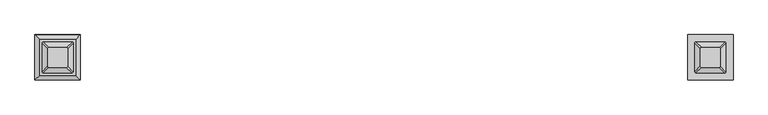
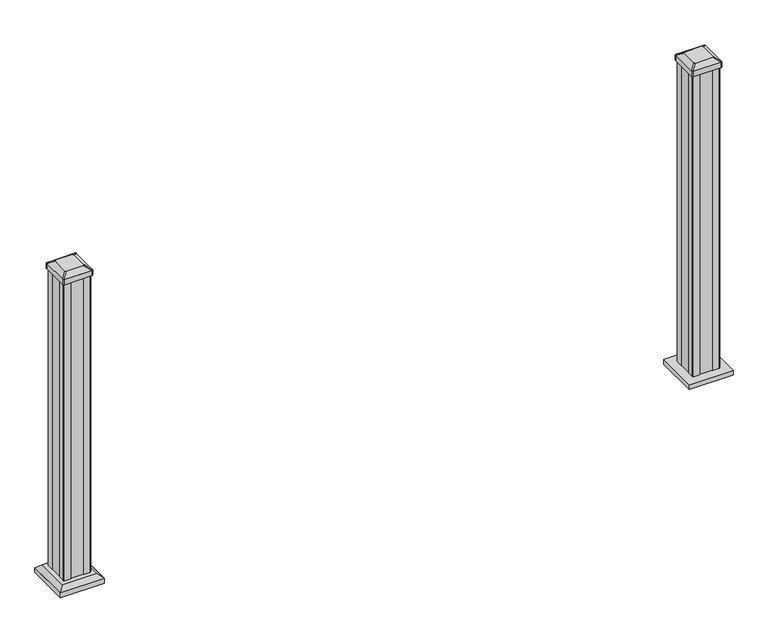
"""IFC4 building model written with IfcOpenShell, lengths in millimetres: railing geometry."""

from ifc_helpers import new_model, si_unit, point, frame, frame_2d, origin, origin_with_axes, place, context, project, spatial, polyline, circle_curve, trimmed, segment, composite_curve, outline, extrude, faceted_brep, source, transform, mapped, element, save
from ifc_brep_helpers import plane_surface, extruded_surface, advanced_brep


def railing_4926e5cd(model_context):
    return source(origin(), model_context, "Body", "SolidModel", [
        extrude(outline(polyline([(15479.6583557, -48119.7918046), (15479.6583557, -47986.5410234), (15612.909137, -47986.5410234), (15612.909137, -48119.7918046), (15479.6583557, -48119.7918046)])), origin_with_axes(), (0.0, 0.0, 1.0), 15.24),
        advanced_brep(
        [(15517.3118713, -48027.369539, 1012.825), (15517.3118713, -48078.963289, 1012.825), (15520.4868713, -48082.138289, 1012.825), (15572.0806213, -48082.138289, 1012.825), (15575.2556213, -48078.963289, 1012.825), (15575.2556213, -48027.369539, 1012.825), (15572.0806213, -48024.194539, 1012.825), (15520.4868713, -48024.194539, 1012.825), (15501.0399963, -48011.097664, 1001.522), (15504.2149963, -48007.922664, 1001.522), (15588.3524963, -48007.922664, 1001.522), (15591.5274963, -48011.097664, 1001.522), (15591.5274963, -48095.235164, 1001.522), (15588.3524963, -48098.410164, 1001.522), (15504.2149963, -48098.410164, 1001.522), (15501.0399963, -48095.235164, 1001.522)],
        [
            (0, 1),
            (1, 2, circle_curve(frame((15520.4868713, -48078.963289, 1012.825), z_axis=(0.0, 0.0, 1.0), x_axis=(1.0, 0.0, 0.0)), 3.175)),
            (2, 3),
            (3, 4, circle_curve(frame((15572.0806213, -48078.963289, 1012.825), z_axis=(0.0, 0.0, 1.0), x_axis=(1.0, 0.0, 0.0)), 3.175)),
            (4, 5),
            (5, 6, circle_curve(frame((15572.0806213, -48027.369539, 1012.825), z_axis=(0.0, 0.0, 1.0), x_axis=(1.0, 0.0, 0.0)), 3.175)),
            (6, 7),
            (7, 0, circle_curve(frame((15520.4868713, -48027.369539, 1012.825), z_axis=(0.0, 0.0, 1.0), x_axis=(1.0, 0.0, 0.0)), 3.175)),
            (8, 9, circle_curve(frame((15504.2149963, -48011.097664, 1001.522), z_axis=(0.0, 0.0, -1.0), x_axis=(1.0, 0.0, 0.0)), 3.175)),
            (9, 10),
            (10, 11, circle_curve(frame((15588.3524963, -48011.097664, 1001.522), z_axis=(0.0, 0.0, -1.0), x_axis=(1.0, 0.0, 0.0)), 3.175)),
            (11, 12),
            (12, 13, circle_curve(frame((15588.3524963, -48095.235164, 1001.522), z_axis=(0.0, 0.0, -1.0), x_axis=(1.0, 0.0, 0.0)), 3.175)),
            (13, 14),
            (14, 15, circle_curve(frame((15504.2149963, -48095.235164, 1001.522), z_axis=(0.0, 0.0, -1.0), x_axis=(1.0, 0.0, 0.0)), 3.175)),
            (15, 8),
            (8, 0),
            (7, 9),
            (6, 10),
            (5, 11),
            (4, 12),
            (3, 13),
            (2, 14),
            (1, 15),
        ],
        [
            plane_surface(frame((15546.2837463, -48053.166414, 1012.825), z_axis=(0.0, 0.0, 1.0), x_axis=(0.0, 1.0, 0.0))),
            plane_surface(frame((15546.2837463, -48053.166414, 1001.522), z_axis=(0.0, 0.0, -1.0), x_axis=(0.0, 1.0, 0.0))),
            extruded_surface(trimmed(circle_curve(frame((15520.4868713, -48027.369539, 1012.825), z_axis=(0.0, 0.0, -1.0), x_axis=(1.0, 0.0, 0.0)), 3.175), [point((15517.3118713, -48027.369539, 1012.825))], [point((15520.4868713, -48024.194539, 1012.825))], True, "CARTESIAN"), (-16.271875000000364, 16.271874999998545, -11.302999999999997), 25.637972638865467),
            plane_surface(frame((15546.2837463, -48007.922664, 1001.522), z_axis=(0.0, 0.5705009161540779, 0.8212969649690408), x_axis=(1.0, 0.0, 0.0))),
            extruded_surface(trimmed(circle_curve(frame((15572.0806213, -48027.369539, 1012.825), z_axis=(0.0, 0.0, -1.0), x_axis=(1.0, 0.0, 0.0)), 3.175), [point((15572.0806213, -48024.194539, 1012.825))], [point((15575.2556213, -48027.369539, 1012.825))], True, "CARTESIAN"), (16.271875000000364, 16.271874999998545, -11.302999999999997), 25.637972638865467),
            plane_surface(frame((15591.5274963, -48053.166414, 1001.522), z_axis=(0.5705009161540291, 0.0, 0.8212969649690747), x_axis=(0.0, -1.0, 0.0))),
            extruded_surface(trimmed(circle_curve(frame((15572.0806213, -48078.963289, 1012.825), z_axis=(0.0, 0.0, -1.0), x_axis=(1.0, 0.0, 0.0)), 3.175), [point((15575.2556213, -48078.963289, 1012.825))], [point((15572.0806213, -48082.138289, 1012.825))], True, "CARTESIAN"), (16.271875000000364, -16.271874999998545, -11.302999999999997), 25.637972638865467),
            plane_surface(frame((15546.2837463, -48098.410164, 1001.522), z_axis=(0.0, -0.5705009161540141, 0.8212969649690851), x_axis=(-1.0, 0.0, 0.0))),
            extruded_surface(trimmed(circle_curve(frame((15520.4868713, -48078.963289, 1012.825), z_axis=(0.0, 0.0, -1.0), x_axis=(1.0, 0.0, 0.0)), 3.175), [point((15520.4868713, -48082.138289, 1012.825))], [point((15517.3118713, -48078.963289, 1012.825))], True, "CARTESIAN"), (-16.271875000000364, -16.271874999998545, -11.302999999999997), 25.637972638865467),
            plane_surface(frame((15501.0399963, -48053.166414, 1001.522), z_axis=(-0.570500916154034, 0.0, 0.8212969649690713), x_axis=(0.0, 1.0, 0.0))),
        ],
        [
            (0, [[1, 2, 3, 4, 5, 6, 7, 8]]),
            (1, [[9, 10, 11, 12, 13, 14, 15, 16]]),
            (2, [[17, -8, 18, -9]]),
            (3, [[-18, -7, 19, -10]]),
            (4, [[-19, -6, 20, -11]]),
            (5, [[-20, -5, 21, -12]]),
            (6, [[-21, -4, 22, -13]]),
            (7, [[-22, -3, 23, -14]]),
            (8, [[-23, -2, 24, -15]]),
            (9, [[-24, -1, -17, -16]]),
        ],
    ),
        extrude(outline(composite_curve([segment(trimmed(circle_curve(frame_2d((15504.2149963, -48011.097664)), 3.175), [point((15501.0399963, -48011.097664))], [point((15504.2149963, -48007.922664))], False, "CARTESIAN"), True, "CONTINUOUS"), segment(polyline([(15504.2149963, -48007.922664), (15588.3524963, -48007.922664)]), True, "CONTINUOUS"), segment(trimmed(circle_curve(frame_2d((15588.3524963, -48011.097664)), 3.175), [point((15588.3524963, -48007.922664))], [point((15591.5274963, -48011.097664))], False, "CARTESIAN"), True, "CONTINUOUS"), segment(polyline([(15591.5274963, -48011.097664), (15591.5274963, -48095.235164)]), True, "CONTINUOUS"), segment(trimmed(circle_curve(frame_2d((15588.3524963, -48095.235164)), 3.175), [point((15591.5274963, -48095.235164))], [point((15588.3524963, -48098.410164))], False, "CARTESIAN"), True, "CONTINUOUS"), segment(polyline([(15588.3524963, -48098.410164), (15504.2149963, -48098.410164)]), True, "CONTINUOUS"), segment(trimmed(circle_curve(frame_2d((15504.2149963, -48095.235164)), 3.175), [point((15504.2149963, -48098.410164))], [point((15501.0399963, -48095.235164))], False, "CARTESIAN"), True, "CONTINUOUS"), segment(polyline([(15501.0399963, -48095.235164), (15501.0399963, -48011.097664)]), True, "CONTINUOUS")], self_intersect=False)), frame((0.0, 0.0, 984.25), z_axis=(0.0, 0.0, 1.0), x_axis=(1.0, 0.0, 0.0)), (0.0, 0.0, 1.0), 17.272),
        extrude(outline(polyline([(15505.0087463, -48013.478914), (15506.5962463, -48011.891414), (15526.2177463, -48011.891414), (15526.9797463, -48013.478914), (15565.5877463, -48013.478914), (15566.3497463, -48011.891414), (15585.9712463, -48011.891414), (15587.5587463, -48013.478914), (15587.5587463, -48033.100414), (15585.9712463, -48033.862414), (15585.9712463, -48072.470414), (15587.5587463, -48073.232414), (15587.5587463, -48092.853914), (15585.9712463, -48094.441414), (15566.3497463, -48094.441414), (15565.5877463, -48092.853914), (15526.9797463, -48092.853914), (15526.2177463, -48094.441414), (15506.5962463, -48094.441414), (15505.0087463, -48092.853914), (15505.0087463, -48073.232414), (15506.5962463, -48072.470414), (15506.5962463, -48033.862414), (15505.0087463, -48033.100414), (15505.0087463, -48013.478914)])), origin_with_axes(), (0.0, 0.0, 1.0), 984.25),
        faceted_brep([(13582.0938088, -48105.7523515, 28.575), (13687.2656838, -48105.7523515, 28.575), (13687.2656838, -48000.5804765, 28.575), (13582.0938088, -48000.5804765, 28.575), (13568.0543557, -48119.7918046, 15.24), (13568.0543557, -47986.5410234, 15.24), (13701.305137, -47986.5410234, 15.24), (13701.305137, -48119.7918046, 15.24)], [[[0, 1, 2, 3]], [[4, 5, 6, 7]], [[4, 0, 3, 5]], [[5, 3, 2, 6]], [[6, 2, 1, 7]], [[7, 1, 0, 4]]]),
        extrude(outline(polyline([(13568.0543557, -48119.7918046), (13568.0543557, -47986.5410234), (13701.305137, -47986.5410234), (13701.305137, -48119.7918046), (13568.0543557, -48119.7918046)])), origin_with_axes(), (0.0, 0.0, 1.0), 15.24),
        advanced_brep(
        [(13605.7078713, -48027.369539, 1012.825), (13605.7078713, -48078.963289, 1012.825), (13608.8828713, -48082.138289, 1012.825), (13660.4766213, -48082.138289, 1012.825), (13663.6516213, -48078.963289, 1012.825), (13663.6516213, -48027.369539, 1012.825), (13660.4766213, -48024.194539, 1012.825), (13608.8828713, -48024.194539, 1012.825), (13589.4359963, -48011.097664, 1001.522), (13592.6109963, -48007.922664, 1001.522), (13676.7484963, -48007.922664, 1001.522), (13679.9234963, -48011.097664, 1001.522), (13679.9234963, -48095.235164, 1001.522), (13676.7484963, -48098.410164, 1001.522), (13592.6109963, -48098.410164, 1001.522), (13589.4359963, -48095.235164, 1001.522)],
        [
            (0, 1),
            (1, 2, circle_curve(frame((13608.8828713, -48078.963289, 1012.825), z_axis=(0.0, 0.0, 1.0), x_axis=(1.0, 0.0, 0.0)), 3.175)),
            (2, 3),
            (3, 4, circle_curve(frame((13660.4766213, -48078.963289, 1012.825), z_axis=(0.0, 0.0, 1.0), x_axis=(1.0, 0.0, 0.0)), 3.175)),
            (4, 5),
            (5, 6, circle_curve(frame((13660.4766213, -48027.369539, 1012.825), z_axis=(0.0, 0.0, 1.0), x_axis=(1.0, 0.0, 0.0)), 3.175)),
            (6, 7),
            (7, 0, circle_curve(frame((13608.8828713, -48027.369539, 1012.825), z_axis=(0.0, 0.0, 1.0), x_axis=(1.0, 0.0, 0.0)), 3.175)),
            (8, 9, circle_curve(frame((13592.6109963, -48011.097664, 1001.522), z_axis=(0.0, 0.0, -1.0), x_axis=(1.0, 0.0, 0.0)), 3.175)),
            (9, 10),
            (10, 11, circle_curve(frame((13676.7484963, -48011.097664, 1001.522), z_axis=(0.0, 0.0, -1.0), x_axis=(1.0, 0.0, 0.0)), 3.175)),
            (11, 12),
            (12, 13, circle_curve(frame((13676.7484963, -48095.235164, 1001.522), z_axis=(0.0, 0.0, -1.0), x_axis=(1.0, 0.0, 0.0)), 3.175)),
            (13, 14),
            (14, 15, circle_curve(frame((13592.6109963, -48095.235164, 1001.522), z_axis=(0.0, 0.0, -1.0), x_axis=(1.0, 0.0, 0.0)), 3.175)),
            (15, 8),
            (8, 0),
            (7, 9),
            (6, 10),
            (5, 11),
            (4, 12),
            (3, 13),
            (2, 14),
            (1, 15),
        ],
        [
            plane_surface(frame((13634.6797463, -48053.166414, 1012.825), z_axis=(0.0, 0.0, 1.0), x_axis=(0.0, 1.0, 0.0))),
            plane_surface(frame((13634.6797463, -48053.166414, 1001.522), z_axis=(0.0, 0.0, -1.0), x_axis=(0.0, 1.0, 0.0))),
            extruded_surface(trimmed(circle_curve(frame((13608.8828713, -48027.369539, 1012.825), z_axis=(0.0, 0.0, -1.0), x_axis=(1.0, 0.0, 0.0)), 3.175), [point((13605.7078713, -48027.369539, 1012.825))], [point((13608.8828713, -48024.194539, 1012.825))], True, "CARTESIAN"), (-16.271875000000364, 16.271874999998545, -11.302999999999997), 25.637972638865467),
            plane_surface(frame((13634.6797463, -48007.922664, 1001.522), z_axis=(0.0, 0.5705009161540779, 0.8212969649690408), x_axis=(1.0, 0.0, 0.0))),
            extruded_surface(trimmed(circle_curve(frame((13660.4766213, -48027.369539, 1012.825), z_axis=(0.0, 0.0, -1.0), x_axis=(1.0, 0.0, 0.0)), 3.175), [point((13660.4766213, -48024.194539, 1012.825))], [point((13663.6516213, -48027.369539, 1012.825))], True, "CARTESIAN"), (16.271875000000364, 16.271874999998545, -11.302999999999997), 25.637972638865467),
            plane_surface(frame((13679.9234963, -48053.166414, 1001.522), z_axis=(0.5705009161540291, 0.0, 0.8212969649690747), x_axis=(0.0, -1.0, 0.0))),
            extruded_surface(trimmed(circle_curve(frame((13660.4766213, -48078.963289, 1012.825), z_axis=(0.0, 0.0, -1.0), x_axis=(1.0, 0.0, 0.0)), 3.175), [point((13663.6516213, -48078.963289, 1012.825))], [point((13660.4766213, -48082.138289, 1012.825))], True, "CARTESIAN"), (16.271875000000364, -16.271874999998545, -11.302999999999997), 25.637972638865467),
            plane_surface(frame((13634.6797463, -48098.410164, 1001.522), z_axis=(0.0, -0.5705009161540141, 0.8212969649690851), x_axis=(-1.0, 0.0, 0.0))),
            extruded_surface(trimmed(circle_curve(frame((13608.8828713, -48078.963289, 1012.825), z_axis=(0.0, 0.0, -1.0), x_axis=(1.0, 0.0, 0.0)), 3.175), [point((13608.8828713, -48082.138289, 1012.825))], [point((13605.7078713, -48078.963289, 1012.825))], True, "CARTESIAN"), (-16.271875000000364, -16.271874999998545, -11.302999999999997), 25.637972638865467),
            plane_surface(frame((13589.4359963, -48053.166414, 1001.522), z_axis=(-0.570500916154034, 0.0, 0.8212969649690713), x_axis=(0.0, 1.0, 0.0))),
        ],
        [
            (0, [[1, 2, 3, 4, 5, 6, 7, 8]]),
            (1, [[9, 10, 11, 12, 13, 14, 15, 16]]),
            (2, [[17, -8, 18, -9]]),
            (3, [[-18, -7, 19, -10]]),
            (4, [[-19, -6, 20, -11]]),
            (5, [[-20, -5, 21, -12]]),
            (6, [[-21, -4, 22, -13]]),
            (7, [[-22, -3, 23, -14]]),
            (8, [[-23, -2, 24, -15]]),
            (9, [[-24, -1, -17, -16]]),
        ],
    ),
        extrude(outline(composite_curve([segment(trimmed(circle_curve(frame_2d((13592.6109963, -48011.097664)), 3.175), [point((13589.4359963, -48011.097664))], [point((13592.6109963, -48007.922664))], False, "CARTESIAN"), True, "CONTINUOUS"), segment(polyline([(13592.6109963, -48007.922664), (13676.7484963, -48007.922664)]), True, "CONTINUOUS"), segment(trimmed(circle_curve(frame_2d((13676.7484963, -48011.097664)), 3.175), [point((13676.7484963, -48007.922664))], [point((13679.9234963, -48011.097664))], False, "CARTESIAN"), True, "CONTINUOUS"), segment(polyline([(13679.9234963, -48011.097664), (13679.9234963, -48095.235164)]), True, "CONTINUOUS"), segment(trimmed(circle_curve(frame_2d((13676.7484963, -48095.235164)), 3.175), [point((13679.9234963, -48095.235164))], [point((13676.7484963, -48098.410164))], False, "CARTESIAN"), True, "CONTINUOUS"), segment(polyline([(13676.7484963, -48098.410164), (13592.6109963, -48098.410164)]), True, "CONTINUOUS"), segment(trimmed(circle_curve(frame_2d((13592.6109963, -48095.235164)), 3.175), [point((13592.6109963, -48098.410164))], [point((13589.4359963, -48095.235164))], False, "CARTESIAN"), True, "CONTINUOUS"), segment(polyline([(13589.4359963, -48095.235164), (13589.4359963, -48011.097664)]), True, "CONTINUOUS")], self_intersect=False)), frame((0.0, 0.0, 984.25), z_axis=(0.0, 0.0, 1.0), x_axis=(1.0, 0.0, 0.0)), (0.0, 0.0, 1.0), 17.272),
        extrude(outline(polyline([(13593.4047463, -48013.478914), (13594.9922463, -48011.891414), (13614.6137463, -48011.891414), (13615.3757463, -48013.478914), (13653.9837463, -48013.478914), (13654.7457463, -48011.891414), (13674.3672463, -48011.891414), (13675.9547463, -48013.478914), (13675.9547463, -48033.100414), (13674.3672463, -48033.862414), (13674.3672463, -48072.470414), (13675.9547463, -48073.232414), (13675.9547463, -48092.853914), (13674.3672463, -48094.441414), (13654.7457463, -48094.441414), (13653.9837463, -48092.853914), (13615.3757463, -48092.853914), (13614.6137463, -48094.441414), (13594.9922463, -48094.441414), (13593.4047463, -48092.853914), (13593.4047463, -48073.232414), (13594.9922463, -48072.470414), (13594.9922463, -48033.862414), (13593.4047463, -48033.100414), (13593.4047463, -48013.478914)])), origin_with_axes(), (0.0, 0.0, 1.0), 984.25),
    ])


if __name__ == "__main__":
    model = new_model("IFC4")
    model_context = context("Model", 3, world=origin())
    ifc_project = project(units=[si_unit("LENGTHUNIT", "METRE", prefix="MILLI")], contexts=[model_context])
    site = spatial("IfcSite", under=ifc_project)
    building = spatial("IfcBuilding", under=site)
    placement = place(None, origin())
    railing_shape = railing_4926e5cd(model_context)
    element("IfcRailing", 1, at=placement, inside=building, context=model_context, shape_type="MappedRepresentation", body=[
        mapped(railing_shape, transform((0.0, 0.0, 0.0), x_axis=(1.0, 0.0, 0.0), y_axis=(0.0, 1.0, 0.0), z_axis=(0.0, 0.0, 1.0))),
    ])
    save(model, "model.ifc")
